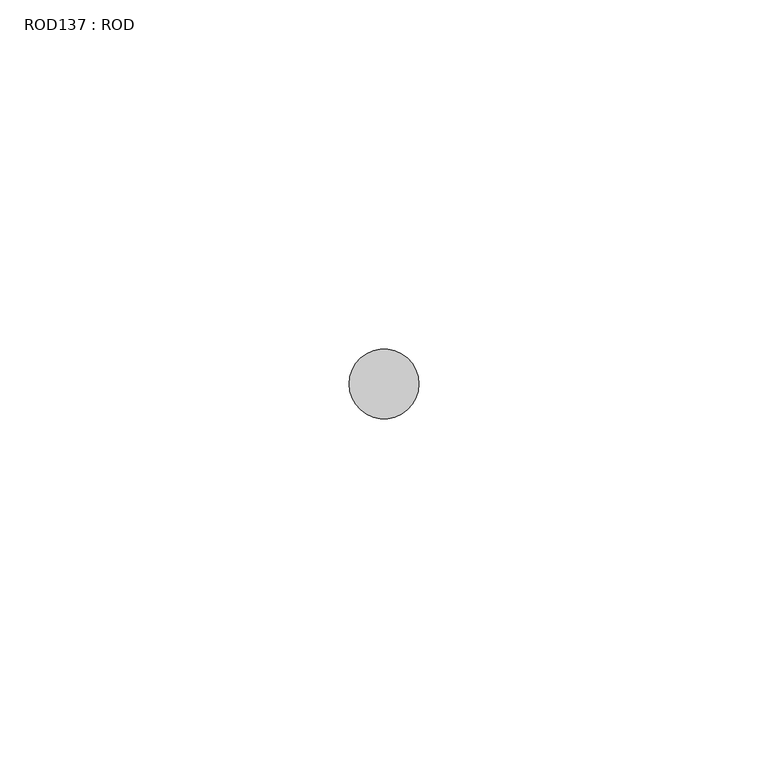
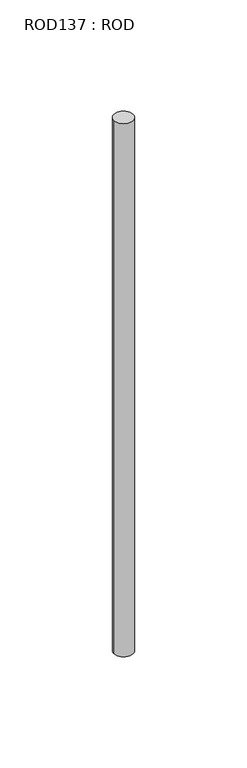
"""IFC4 building model written with IfcOpenShell, lengths in millimetres: proxy geometry, ROD137 : ROD."""

from ifc_helpers import new_model, si_unit, point, frame, frame_2d, origin, place, context, project, spatial, circle_curve, trimmed, segment, composite_curve, outline, extrude, source, transform, mapped, element, save


def rod137_rod_e5e893e6(model_context):
    return source(origin(), model_context, "Body", "SweptSolid", [
        extrude(outline(composite_curve([segment(trimmed(circle_curve(frame_2d((5732.7784384, -12414.6300853)), 5.0), [point((5727.7784384, -12414.6300853))], [point((5737.7784384, -12414.6300853))], False, "CARTESIAN"), True, "CONTINUOUS"), segment(trimmed(circle_curve(frame_2d((5732.7784384, -12414.6300853)), 5.0), [point((5737.7784384, -12414.6300853))], [point((5727.7784384, -12414.6300853))], False, "CARTESIAN"), True, "CONTINUOUS")], self_intersect=False)), frame((0.0, 0.0, -208.6608845), z_axis=(0.0, 0.0, 1.0), x_axis=(1.0, 0.0, 0.0)), (0.0, 0.0, 1.0), 298.9028972),
    ])


if __name__ == "__main__":
    model = new_model("IFC4")
    model_context = context("Model", 3, world=origin())
    ifc_project = project(units=[si_unit("LENGTHUNIT", "METRE", prefix="MILLI")], contexts=[model_context])
    site = spatial("IfcSite", under=ifc_project)
    building = spatial("IfcBuilding", under=site)
    placement = place(None, origin())
    rod137_rod_shape = rod137_rod_e5e893e6(model_context)
    element("IfcBuildingElementProxy", 1, Name="ROD137 : ROD", ObjectType="ROD137 : ROD", at=placement, inside=building, context=model_context, shape_type="MappedRepresentation", body=[
        mapped(rod137_rod_shape, transform((0.0, 0.0, 0.0), x_axis=(1.0, 0.0, 0.0), y_axis=(0.0, 1.0, 0.0), z_axis=(0.0, 0.0, 1.0))),
    ])
    save(model, "model.ifc")
